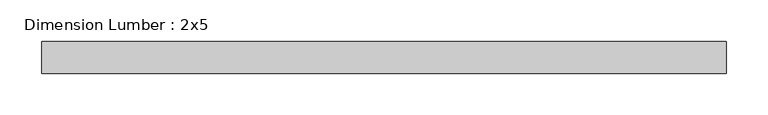
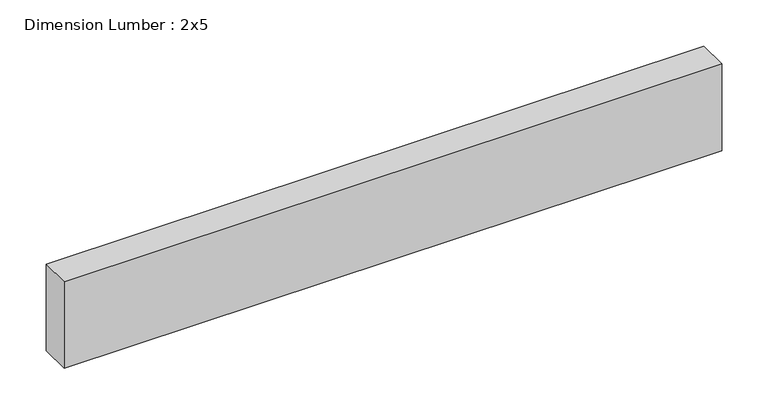
"""IFC4 building model written with IfcOpenShell, lengths in millimetres: beam geometry, Dimension Lumber : 2x5."""

from ifc_helpers import new_model, si_unit, frame, origin, place, context, project, spatial, polyline, outline, extrude, source, transform, mapped, element, save


def dimension_lumber_2x5_7d08b680(model_context):
    return source(origin(), model_context, "Body", "SweptSolid", [
        extrude(outline(polyline([(409.5777319, 19.05), (409.5777319, -19.05), (-409.5777319, -19.05), (-409.5777319, 19.05), (409.5777319, 19.05)])), frame((0.0, 0.0, -57.15), z_axis=(0.0, 0.0, 1.0), x_axis=(1.0, 0.0, 0.0)), (0.0, 0.0, 1.0), 114.3),
    ])


if __name__ == "__main__":
    model = new_model("IFC4")
    model_context = context("Model", 3, world=origin())
    ifc_project = project(units=[si_unit("LENGTHUNIT", "METRE", prefix="MILLI")], contexts=[model_context])
    site = spatial("IfcSite", under=ifc_project)
    building = spatial("IfcBuilding", under=site)
    placement = place(None, origin())
    dimension_lumber_2x5_shape = dimension_lumber_2x5_7d08b680(model_context)
    element("IfcBeam", 1, ObjectType="Dimension Lumber : 2x5", at=placement, inside=building, context=model_context, shape_type="MappedRepresentation", body=[
        mapped(dimension_lumber_2x5_shape, transform((0.0, 0.0, 0.0), x_axis=(1.0, 0.0, 0.0), y_axis=(0.0, 1.0, 0.0), z_axis=(0.0, 0.0, 1.0))),
    ])
    save(model, "model.ifc")
